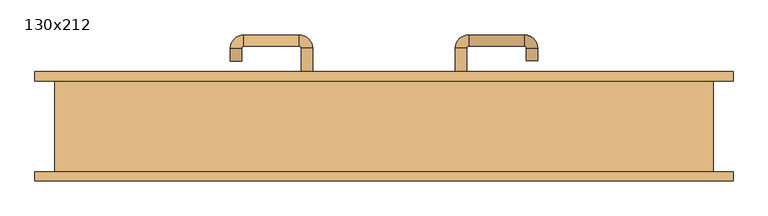
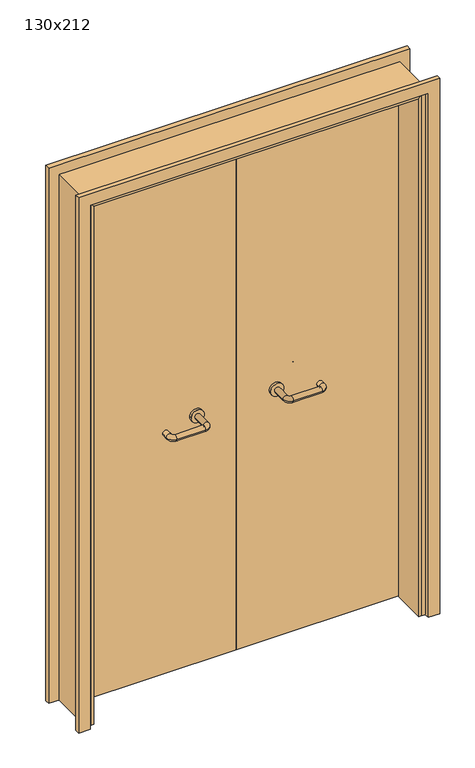
"""IFC4 building model written with IfcOpenShell, lengths in millimetres: door geometry, 130x212."""

from ifc_helpers import new_model, si_unit, point, frame, frame_2d, origin, place, context, project, spatial, polyline, circle_curve, ellipse_curve, trimmed, segment, composite_curve, outline, extrude, faceted_brep, source, transform, mapped, element, save
from ifc_brep_helpers import plane_surface, cylinder_surface, revolved_surface, advanced_brep


def door_130x212_d23c5a7e(model_context):
    return source(origin(), model_context, "Body", "SolidModel", [
        faceted_brep([(-620.0, 43.0, 0.0), (-620.0, -89.0, 0.0), (-630.0, -89.0, 0.0), (-630.0, 43.0, 0.0), (-620.0, 43.0, 2090.0), (-620.0, -89.0, 2090.0), (-630.0, -89.0, 2100.0), (-630.0, 43.0, 2100.0), (620.0, 43.0, 0.0), (630.0, 43.0, 0.0), (630.0, -89.0, 0.0), (620.0, -89.0, 0.0), (620.0, 43.0, 2090.0), (630.0, 43.0, 2100.0), (630.0, -89.0, 2100.0), (620.0, -89.0, 2090.0)], [[[0, 1, 2, 3]], [[1, 0, 4, 5]], [[2, 1, 5, 6]], [[3, 2, 6, 7]], [[0, 3, 7, 4]], [[8, 9, 10, 11]], [[12, 13, 9, 8]], [[13, 14, 10, 9]], [[14, 15, 11, 10]], [[15, 12, 8, 11]], [[5, 4, 12, 15]], [[6, 5, 15, 14]], [[7, 6, 14, 13]], [[4, 7, 13, 12]]]),
        extrude(outline(polyline([(2159.0, 689.0), (2159.0, -689.0), (0.0, -689.0), (0.0, -645.0), (2115.0, -645.0), (2115.0, 645.0), (0.0, 645.0), (0.0, 689.0), (2159.0, 689.0)])), frame((0.0, 90.0, 0.0), z_axis=(0.0, 1.0, 0.0), x_axis=(0.0, 0.0, 1.0)), (0.0, 0.0, 1.0), 18.0),
        extrude(outline(polyline([(2159.0, -689.0), (0.0, -689.0), (0.0, -645.0), (2115.0, -645.0), (2115.0, 645.0), (0.0, 645.0), (0.0, 689.0), (2159.0, 689.0), (2159.0, -689.0)])), frame((0.0, -108.0, 0.0), z_axis=(0.0, 1.0, 0.0), x_axis=(0.0, 0.0, 1.0)), (0.0, 0.0, 1.0), 18.0),
        extrude(outline(polyline([(2120.0, -650.0), (0.0, -650.0), (0.0, -630.0), (2100.0, -630.0), (2100.0, 630.0), (0.0, 630.0), (0.0, 650.0), (2120.0, 650.0), (2120.0, -650.0)])), frame((0.0, -89.0, 0.0), z_axis=(0.0, 1.0, 0.0), x_axis=(0.0, 0.0, 1.0)), (0.0, 0.0, 1.0), 179.0),
        advanced_brep(
        [(140.99898, 36.0, 1003.0), (162.99898, 36.0, 1003.0), (140.99898, -19.3525369, 1003.0), (162.99898, -19.3525369, 1003.0), (166.99898, -23.3525369, 1003.0), (166.99898, -45.3525369, 1003.0), (276.99898, -45.3525369, 1003.0), (276.99898, -23.3525369, 1003.0), (280.99898, -19.3525369, 1003.0), (302.99898, -19.3525369, 1003.0), (302.99898, -2.0, 1003.0), (280.99898, -2.0, 1003.0)],
        [
            (0, 1, circle_curve(frame((151.99898, 36.0, 1003.0), z_axis=(0.0, 1.0, 0.0), x_axis=(1.0, 0.0, 0.0)), 11.0)),
            (1, 0, circle_curve(frame((151.99898, 36.0, 1003.0), z_axis=(0.0, 1.0, 0.0), x_axis=(1.0, 0.0, 0.0)), 11.0)),
            (0, 2),
            (2, 3, circle_curve(frame((151.99898, -19.3525369, 1003.0), z_axis=(0.0, 1.0, 0.0), x_axis=(1.0, 0.0, 0.0)), 11.0)),
            (3, 1),
            (3, 2, circle_curve(frame((151.99898, -19.3525369, 1003.0), z_axis=(0.0, 1.0, 0.0), x_axis=(1.0, 0.0, 0.0)), 11.0)),
            (4, 3, circle_curve(frame((166.99898, -19.3525369, 1003.0), z_axis=(0.0, 0.0, -1.0), x_axis=(-1.0, 0.0, 0.0)), 4.0)),
            (2, 5, circle_curve(frame((166.99898, -19.3525369, 1003.0), z_axis=(0.0, 0.0, 1.0), x_axis=(-1.0, 0.0, 0.0)), 26.0)),
            (5, 4, circle_curve(frame((166.99898, -34.3525369, 1003.0), z_axis=(-1.0, 0.0, 0.0), x_axis=(0.0, 1.0, 0.0)), 11.0)),
            (4, 5, circle_curve(frame((166.99898, -34.3525369, 1003.0), z_axis=(-1.0, 0.0, 0.0), x_axis=(0.0, 1.0, 0.0)), 11.0)),
            (5, 6),
            (6, 7, circle_curve(frame((276.99898, -34.3525369, 1003.0), z_axis=(-1.0, 0.0, 0.0), x_axis=(0.0, 1.0, 0.0)), 11.0)),
            (7, 4),
            (7, 6, circle_curve(frame((276.99898, -34.3525369, 1003.0), z_axis=(-1.0, 0.0, 0.0), x_axis=(0.0, 1.0, 0.0)), 11.0)),
            (8, 7, circle_curve(frame((276.99898, -19.3525369, 1003.0), z_axis=(0.0, 0.0, -1.0), x_axis=(0.0, -1.0, 0.0)), 4.0)),
            (6, 9, circle_curve(frame((276.99898, -19.3525369, 1003.0), z_axis=(0.0, 0.0, 1.0), x_axis=(0.0, -1.0, 0.0)), 26.0)),
            (9, 8, circle_curve(frame((291.99898, -19.3525369, 1003.0), z_axis=(0.0, -1.0, 0.0), x_axis=(-1.0, 0.0, 0.0)), 11.0)),
            (8, 9, circle_curve(frame((291.99898, -19.3525369, 1003.0), z_axis=(0.0, -1.0, 0.0), x_axis=(-1.0, 0.0, 0.0)), 11.0)),
            (10, 11, circle_curve(frame((291.99898, -2.0, 1003.0), z_axis=(0.0, 1.0, 0.0), x_axis=(-1.0, 0.0, 0.0)), 11.0)),
            (11, 10, circle_curve(frame((291.99898, -2.0, 1003.0), z_axis=(0.0, 1.0, 0.0), x_axis=(-1.0, 0.0, 0.0)), 11.0)),
            (9, 10),
            (11, 8),
        ],
        [
            plane_surface(frame((140.99898, 36.0, 1003.0), z_axis=(0.0, 1.0, 0.0), x_axis=(0.0, 0.0, -1.0))),
            cylinder_surface(frame((151.99898, 36.0, 1003.0), z_axis=(0.0, 1.0, 0.0), x_axis=(1.0, 0.0, 0.0)), 11.0),
            revolved_surface(trimmed(ellipse_curve(frame((151.99898, -19.3525369, 1003.0), z_axis=(0.0, 1.0, 0.0), x_axis=(1.0, 0.0, 0.0)), 11.0, 11.0), [point((140.99898, -19.3525369, 1003.0))], [point((162.99898, -19.3525369, 1003.0))], True, "CARTESIAN"), (166.99898, -19.3525369, 1003.0), (0.0, 0.0, 1.0)),
            revolved_surface(trimmed(ellipse_curve(frame((151.99898, -19.3525369, 1003.0), z_axis=(0.0, 1.0, 0.0), x_axis=(1.0, 0.0, 0.0)), 11.0, 11.0), [point((162.99898, -19.3525369, 1003.0))], [point((140.99898, -19.3525369, 1003.0))], True, "CARTESIAN"), (166.99898, -19.3525369, 1003.0), (0.0, 0.0, 1.0)),
            cylinder_surface(frame((166.99898, -34.3525369, 1003.0), z_axis=(-1.0, 0.0, 0.0), x_axis=(0.0, 1.0, 0.0)), 11.0),
            revolved_surface(trimmed(ellipse_curve(frame((276.99898, -34.3525369, 1003.0), z_axis=(-1.0, 0.0, 0.0), x_axis=(0.0, 1.0, 0.0)), 11.0, 11.0), [point((276.99898, -45.3525369, 1003.0))], [point((276.99898, -23.3525369, 1003.0))], True, "CARTESIAN"), (276.99898, -19.3525369, 1003.0), (0.0, 0.0, 1.0)),
            revolved_surface(trimmed(ellipse_curve(frame((276.99898, -34.3525369, 1003.0), z_axis=(-1.0, 0.0, 0.0), x_axis=(0.0, 1.0, 0.0)), 11.0, 11.0), [point((276.99898, -23.3525369, 1003.0))], [point((276.99898, -45.3525369, 1003.0))], True, "CARTESIAN"), (276.99898, -19.3525369, 1003.0), (0.0, 0.0, 1.0)),
            plane_surface(frame((280.99898, -2.0, 1003.0), z_axis=(0.0, 1.0, 0.0), x_axis=(0.0, 0.0, 1.0))),
            cylinder_surface(frame((291.99898, -19.3525369, 1003.0), z_axis=(0.0, -1.0, 0.0), x_axis=(-1.0, 0.0, 0.0)), 11.0),
        ],
        [
            (0, [[1, 2]]),
            (1, [[-1, 3, 4, 5]]),
            (1, [[-2, -5, 6, -3]]),
            (2, [[7, -4, 8, 9]]),
            (3, [[-8, -6, -7, 10]]),
            (4, [[-9, 11, 12, 13]]),
            (4, [[-10, -13, 14, -11]]),
            (5, [[15, -12, 16, 17]]),
            (6, [[-16, -14, -15, 18]]),
            (7, [[19, 20]]),
            (8, [[-17, 21, -20, 22]]),
            (8, [[-18, -22, -19, -21]]),
        ],
    ),
        extrude(outline(composite_curve([segment(trimmed(circle_curve(frame_2d((1003.0, 151.99898)), 25.0), [point((1003.0, 126.99898))], [point((1003.0, 176.99898))], False, "CARTESIAN"), True, "CONTINUOUS"), segment(trimmed(circle_curve(frame_2d((1003.0, 151.99898)), 25.0), [point((1003.0, 176.99898))], [point((1003.0, 126.99898))], False, "CARTESIAN"), True, "CONTINUOUS")], self_intersect=False)), frame((0.0, 36.0, 0.0), z_axis=(0.0, 1.0, 0.0), x_axis=(0.0, 0.0, 1.0)), (0.0, 0.0, 1.0), 10.0),
        advanced_brep(
        [(162.99898, 100.0, 1003.0), (140.99898, 100.0, 1003.0), (162.99898, 155.0, 1003.0), (140.99898, 155.0, 1003.0), (166.99898, 181.0, 1003.0), (166.99898, 159.0, 1003.0), (276.99898, 159.0, 1003.0), (276.99898, 181.0, 1003.0), (302.99898, 155.0, 1003.0), (280.99898, 155.0, 1003.0), (280.99898, 130.0, 1003.0), (302.99898, 130.0, 1003.0)],
        [
            (0, 1, circle_curve(frame((151.99898, 100.0, 1003.0), z_axis=(0.0, -1.0, 0.0), x_axis=(-1.0, 0.0, 0.0)), 11.0)),
            (1, 0, circle_curve(frame((151.99898, 100.0, 1003.0), z_axis=(0.0, -1.0, 0.0), x_axis=(-1.0, 0.0, 0.0)), 11.0)),
            (0, 2),
            (2, 3, circle_curve(frame((151.99898, 155.0, 1003.0), z_axis=(0.0, -1.0, 0.0), x_axis=(-1.0, 0.0, 0.0)), 11.0)),
            (3, 1),
            (3, 2, circle_curve(frame((151.99898, 155.0, 1003.0), z_axis=(0.0, -1.0, 0.0), x_axis=(-1.0, 0.0, 0.0)), 11.0)),
            (4, 3, circle_curve(frame((166.99898, 155.0, 1003.0), z_axis=(0.0, 0.0, 1.0), x_axis=(-1.0, 0.0, 0.0)), 26.0)),
            (2, 5, circle_curve(frame((166.99898, 155.0, 1003.0), z_axis=(0.0, 0.0, -1.0), x_axis=(-1.0, 0.0, 0.0)), 4.0)),
            (5, 4, circle_curve(frame((166.99898, 170.0, 1003.0), z_axis=(-1.0, 0.0, 0.0), x_axis=(0.0, 1.0, 0.0)), 11.0)),
            (4, 5, circle_curve(frame((166.99898, 170.0, 1003.0), z_axis=(-1.0, 0.0, 0.0), x_axis=(0.0, 1.0, 0.0)), 11.0)),
            (5, 6),
            (6, 7, circle_curve(frame((276.99898, 170.0, 1003.0), z_axis=(-1.0, 0.0, 0.0), x_axis=(0.0, 1.0, 0.0)), 11.0)),
            (7, 4),
            (7, 6, circle_curve(frame((276.99898, 170.0, 1003.0), z_axis=(-1.0, 0.0, 0.0), x_axis=(0.0, 1.0, 0.0)), 11.0)),
            (8, 7, circle_curve(frame((276.99898, 155.0, 1003.0), z_axis=(0.0, 0.0, 1.0), x_axis=(0.0, 1.0, 0.0)), 26.0)),
            (6, 9, circle_curve(frame((276.99898, 155.0, 1003.0), z_axis=(0.0, 0.0, -1.0), x_axis=(0.0, 1.0, 0.0)), 4.0)),
            (9, 8, circle_curve(frame((291.99898, 155.0, 1003.0), z_axis=(0.0, 1.0, 0.0), x_axis=(1.0, 0.0, 0.0)), 11.0)),
            (8, 9, circle_curve(frame((291.99898, 155.0, 1003.0), z_axis=(0.0, 1.0, 0.0), x_axis=(1.0, 0.0, 0.0)), 11.0)),
            (10, 11, circle_curve(frame((291.99898, 130.0, 1003.0), z_axis=(0.0, -1.0, 0.0), x_axis=(1.0, 0.0, 0.0)), 11.0)),
            (11, 10, circle_curve(frame((291.99898, 130.0, 1003.0), z_axis=(0.0, -1.0, 0.0), x_axis=(1.0, 0.0, 0.0)), 11.0)),
            (9, 10),
            (11, 8),
        ],
        [
            plane_surface(frame((140.99898, 100.0, 1003.0), z_axis=(0.0, -1.0, 0.0), x_axis=(0.0, 0.0, 1.0))),
            cylinder_surface(frame((151.99898, 100.0, 1003.0), z_axis=(0.0, -1.0, 0.0), x_axis=(-1.0, 0.0, 0.0)), 11.0),
            revolved_surface(trimmed(ellipse_curve(frame((151.99898, 155.0, 1003.0), z_axis=(0.0, -1.0, 0.0), x_axis=(-1.0, 0.0, 0.0)), 11.0, 11.0), [point((162.99898, 155.0, 1003.0))], [point((140.99898, 155.0, 1003.0))], True, "CARTESIAN"), (166.99898, 155.0, 1003.0), (0.0, 0.0, -1.0)),
            revolved_surface(trimmed(ellipse_curve(frame((151.99898, 155.0, 1003.0), z_axis=(0.0, -1.0, 0.0), x_axis=(-1.0, 0.0, 0.0)), 11.0, 11.0), [point((140.99898, 155.0, 1003.0))], [point((162.99898, 155.0, 1003.0))], True, "CARTESIAN"), (166.99898, 155.0, 1003.0), (0.0, 0.0, -1.0)),
            cylinder_surface(frame((166.99898, 170.0, 1003.0), z_axis=(-1.0, 0.0, 0.0), x_axis=(0.0, 1.0, 0.0)), 11.0),
            revolved_surface(trimmed(ellipse_curve(frame((276.99898, 170.0, 1003.0), z_axis=(-1.0, 0.0, 0.0), x_axis=(0.0, 1.0, 0.0)), 11.0, 11.0), [point((276.99898, 159.0, 1003.0))], [point((276.99898, 181.0, 1003.0))], True, "CARTESIAN"), (276.99898, 155.0, 1003.0), (0.0, 0.0, -1.0)),
            revolved_surface(trimmed(ellipse_curve(frame((276.99898, 170.0, 1003.0), z_axis=(-1.0, 0.0, 0.0), x_axis=(0.0, 1.0, 0.0)), 11.0, 11.0), [point((276.99898, 181.0, 1003.0))], [point((276.99898, 159.0, 1003.0))], True, "CARTESIAN"), (276.99898, 155.0, 1003.0), (0.0, 0.0, -1.0)),
            plane_surface(frame((280.99898, 130.0, 1003.0), z_axis=(0.0, -1.0, 0.0), x_axis=(0.0, 0.0, -1.0))),
            cylinder_surface(frame((291.99898, 155.0, 1003.0), z_axis=(0.0, 1.0, 0.0), x_axis=(1.0, 0.0, 0.0)), 11.0),
        ],
        [
            (0, [[1, 2]]),
            (1, [[-1, 3, 4, 5]]),
            (1, [[-2, -5, 6, -3]]),
            (2, [[7, -4, 8, 9]]),
            (3, [[-8, -6, -7, 10]]),
            (4, [[-9, 11, 12, 13]]),
            (4, [[-10, -13, 14, -11]]),
            (5, [[15, -12, 16, 17]]),
            (6, [[-16, -14, -15, 18]]),
            (7, [[19, 20]]),
            (8, [[-17, 21, -20, 22]]),
            (8, [[-18, -22, -19, -21]]),
        ],
    ),
        extrude(outline(composite_curve([segment(trimmed(circle_curve(frame_2d((1003.0, 151.99898)), 25.0), [point((1003.0, 176.99898))], [point((1003.0, 126.99898))], False, "CARTESIAN"), True, "CONTINUOUS"), segment(trimmed(circle_curve(frame_2d((1003.0, 151.99898)), 25.0), [point((1003.0, 126.99898))], [point((1003.0, 176.99898))], False, "CARTESIAN"), True, "CONTINUOUS")], self_intersect=False)), frame((0.0, 90.0, 0.0), z_axis=(0.0, 1.0, 0.0), x_axis=(0.0, 0.0, 1.0)), (0.0, 0.0, 1.0), 10.0),
        advanced_brep(
        [(-162.99898, 35.6886121, 1003.0), (-140.99898, 35.6886121, 1003.0), (-162.99898, -19.7220447, 1003.0), (-140.99898, -19.7220447, 1003.0), (-166.99898, -45.7220447, 1003.0), (-166.99898, -23.7220447, 1003.0), (-276.99898, -23.7220447, 1003.0), (-276.99898, -45.7220447, 1003.0), (-302.99898, -19.7220447, 1003.0), (-280.99898, -19.7220447, 1003.0), (-280.99898, 5.2779553, 1003.0), (-302.99898, 5.2779553, 1003.0)],
        [
            (0, 1, circle_curve(frame((-151.99898, 35.6886121, 1003.0), z_axis=(0.0, 1.0, 0.0), x_axis=(1.0, 0.0, 0.0)), 11.0)),
            (1, 0, circle_curve(frame((-151.99898, 35.6886121, 1003.0), z_axis=(0.0, 1.0, 0.0), x_axis=(1.0, 0.0, 0.0)), 11.0)),
            (0, 2),
            (2, 3, circle_curve(frame((-151.99898, -19.7220447, 1003.0), z_axis=(0.0, 1.0, 0.0), x_axis=(1.0, 0.0, 0.0)), 11.0)),
            (3, 1),
            (3, 2, circle_curve(frame((-151.99898, -19.7220447, 1003.0), z_axis=(0.0, 1.0, 0.0), x_axis=(1.0, 0.0, 0.0)), 11.0)),
            (4, 3, circle_curve(frame((-166.99898, -19.7220447, 1003.0), z_axis=(0.0, 0.0, 1.0), x_axis=(1.0, 0.0, 0.0)), 26.0)),
            (2, 5, circle_curve(frame((-166.99898, -19.7220447, 1003.0), z_axis=(0.0, 0.0, -1.0), x_axis=(1.0, 0.0, 0.0)), 4.0)),
            (5, 4, circle_curve(frame((-166.99898, -34.7220447, 1003.0), z_axis=(1.0, 0.0, 0.0), x_axis=(0.0, -1.0, 0.0)), 11.0)),
            (4, 5, circle_curve(frame((-166.99898, -34.7220447, 1003.0), z_axis=(1.0, 0.0, 0.0), x_axis=(0.0, -1.0, 0.0)), 11.0)),
            (5, 6),
            (6, 7, circle_curve(frame((-276.99898, -34.7220447, 1003.0), z_axis=(1.0, 0.0, 0.0), x_axis=(0.0, -1.0, 0.0)), 11.0)),
            (7, 4),
            (7, 6, circle_curve(frame((-276.99898, -34.7220447, 1003.0), z_axis=(1.0, 0.0, 0.0), x_axis=(0.0, -1.0, 0.0)), 11.0)),
            (8, 7, circle_curve(frame((-276.99898, -19.7220447, 1003.0), z_axis=(0.0, 0.0, 1.0), x_axis=(0.0, -1.0, 0.0)), 26.0)),
            (6, 9, circle_curve(frame((-276.99898, -19.7220447, 1003.0), z_axis=(0.0, 0.0, -1.0), x_axis=(0.0, -1.0, 0.0)), 4.0)),
            (9, 8, circle_curve(frame((-291.99898, -19.7220447, 1003.0), z_axis=(0.0, -1.0, 0.0), x_axis=(-1.0, 0.0, 0.0)), 11.0)),
            (8, 9, circle_curve(frame((-291.99898, -19.7220447, 1003.0), z_axis=(0.0, -1.0, 0.0), x_axis=(-1.0, 0.0, 0.0)), 11.0)),
            (10, 11, circle_curve(frame((-291.99898, 5.2779553, 1003.0), z_axis=(0.0, 1.0, 0.0), x_axis=(-1.0, 0.0, 0.0)), 11.0)),
            (11, 10, circle_curve(frame((-291.99898, 5.2779553, 1003.0), z_axis=(0.0, 1.0, 0.0), x_axis=(-1.0, 0.0, 0.0)), 11.0)),
            (9, 10),
            (11, 8),
        ],
        [
            plane_surface(frame((-162.99898, 35.6886121, 1003.0), z_axis=(0.0, 1.0, 0.0), x_axis=(0.0, 0.0, -1.0))),
            cylinder_surface(frame((-151.99898, 35.6886121, 1003.0), z_axis=(0.0, 1.0, 0.0), x_axis=(1.0, 0.0, 0.0)), 11.0),
            revolved_surface(trimmed(ellipse_curve(frame((-151.99898, -19.7220447, 1003.0), z_axis=(0.0, 1.0, 0.0), x_axis=(1.0, 0.0, 0.0)), 11.0, 11.0), [point((-162.99898, -19.7220447, 1003.0))], [point((-140.99898, -19.7220447, 1003.0))], True, "CARTESIAN"), (-166.99898, -19.7220447, 1003.0), (0.0, 0.0, -1.0)),
            revolved_surface(trimmed(ellipse_curve(frame((-151.99898, -19.7220447, 1003.0), z_axis=(0.0, 1.0, 0.0), x_axis=(1.0, 0.0, 0.0)), 11.0, 11.0), [point((-140.99898, -19.7220447, 1003.0))], [point((-162.99898, -19.7220447, 1003.0))], True, "CARTESIAN"), (-166.99898, -19.7220447, 1003.0), (0.0, 0.0, -1.0)),
            cylinder_surface(frame((-166.99898, -34.7220447, 1003.0), z_axis=(1.0, 0.0, 0.0), x_axis=(0.0, -1.0, 0.0)), 11.0),
            revolved_surface(trimmed(ellipse_curve(frame((-276.99898, -34.7220447, 1003.0), z_axis=(1.0, 0.0, 0.0), x_axis=(0.0, -1.0, 0.0)), 11.0, 11.0), [point((-276.99898, -23.7220447, 1003.0))], [point((-276.99898, -45.7220447, 1003.0))], True, "CARTESIAN"), (-276.99898, -19.7220447, 1003.0), (0.0, 0.0, -1.0)),
            revolved_surface(trimmed(ellipse_curve(frame((-276.99898, -34.7220447, 1003.0), z_axis=(1.0, 0.0, 0.0), x_axis=(0.0, -1.0, 0.0)), 11.0, 11.0), [point((-276.99898, -45.7220447, 1003.0))], [point((-276.99898, -23.7220447, 1003.0))], True, "CARTESIAN"), (-276.99898, -19.7220447, 1003.0), (0.0, 0.0, -1.0)),
            plane_surface(frame((-302.99898, 5.2779553, 1003.0), z_axis=(0.0, 1.0, 0.0), x_axis=(0.0, 0.0, 1.0))),
            cylinder_surface(frame((-291.99898, -19.7220447, 1003.0), z_axis=(0.0, -1.0, 0.0), x_axis=(-1.0, 0.0, 0.0)), 11.0),
        ],
        [
            (0, [[1, 2]]),
            (1, [[-1, 3, 4, 5]]),
            (1, [[-2, -5, 6, -3]]),
            (2, [[7, -4, 8, 9]]),
            (3, [[-8, -6, -7, 10]]),
            (4, [[-9, 11, 12, 13]]),
            (4, [[-10, -13, 14, -11]]),
            (5, [[15, -12, 16, 17]]),
            (6, [[-16, -14, -15, 18]]),
            (7, [[19, 20]]),
            (8, [[-17, 21, -20, 22]]),
            (8, [[-18, -22, -19, -21]]),
        ],
    ),
        extrude(outline(composite_curve([segment(trimmed(circle_curve(frame_2d((1003.0, -151.99898)), 25.0), [point((1003.0, -176.99898))], [point((1003.0, -126.99898))], False, "CARTESIAN"), True, "CONTINUOUS"), segment(trimmed(circle_curve(frame_2d((1003.0, -151.99898)), 25.0), [point((1003.0, -126.99898))], [point((1003.0, -176.99898))], False, "CARTESIAN"), True, "CONTINUOUS")], self_intersect=False)), frame((0.0, 35.6886121, 0.0), z_axis=(0.0, 1.0, 0.0), x_axis=(0.0, 0.0, 1.0)), (0.0, 0.0, 1.0), 10.3113879),
        advanced_brep(
        [(-140.99898, 99.5143417, 1003.0), (-162.99898, 99.5143417, 1003.0), (-140.99898, 154.6104656, 1003.0), (-162.99898, 154.6104656, 1003.0), (-166.99898, 158.6104656, 1003.0), (-166.99898, 180.6104656, 1003.0), (-276.99898, 180.6104656, 1003.0), (-276.99898, 158.6104656, 1003.0), (-280.99898, 154.6104656, 1003.0), (-302.99898, 154.6104656, 1003.0), (-302.99898, 129.6104656, 1003.0), (-280.99898, 129.6104656, 1003.0)],
        [
            (0, 1, circle_curve(frame((-151.99898, 99.5143417, 1003.0), z_axis=(0.0, -1.0, 0.0), x_axis=(-1.0, 0.0, 0.0)), 11.0)),
            (1, 0, circle_curve(frame((-151.99898, 99.5143417, 1003.0), z_axis=(0.0, -1.0, 0.0), x_axis=(-1.0, 0.0, 0.0)), 11.0)),
            (0, 2),
            (2, 3, circle_curve(frame((-151.99898, 154.6104656, 1003.0), z_axis=(0.0, -1.0, 0.0), x_axis=(-1.0, 0.0, 0.0)), 11.0)),
            (3, 1),
            (3, 2, circle_curve(frame((-151.99898, 154.6104656, 1003.0), z_axis=(0.0, -1.0, 0.0), x_axis=(-1.0, 0.0, 0.0)), 11.0)),
            (4, 3, circle_curve(frame((-166.99898, 154.6104656, 1003.0), z_axis=(0.0, 0.0, -1.0), x_axis=(1.0, 0.0, 0.0)), 4.0)),
            (2, 5, circle_curve(frame((-166.99898, 154.6104656, 1003.0), z_axis=(0.0, 0.0, 1.0), x_axis=(1.0, 0.0, 0.0)), 26.0)),
            (5, 4, circle_curve(frame((-166.99898, 169.6104656, 1003.0), z_axis=(1.0, 0.0, 0.0), x_axis=(0.0, -1.0, 0.0)), 11.0)),
            (4, 5, circle_curve(frame((-166.99898, 169.6104656, 1003.0), z_axis=(1.0, 0.0, 0.0), x_axis=(0.0, -1.0, 0.0)), 11.0)),
            (5, 6),
            (6, 7, circle_curve(frame((-276.99898, 169.6104656, 1003.0), z_axis=(1.0, 0.0, 0.0), x_axis=(0.0, -1.0, 0.0)), 11.0)),
            (7, 4),
            (7, 6, circle_curve(frame((-276.99898, 169.6104656, 1003.0), z_axis=(1.0, 0.0, 0.0), x_axis=(0.0, -1.0, 0.0)), 11.0)),
            (8, 7, circle_curve(frame((-276.99898, 154.6104656, 1003.0), z_axis=(0.0, 0.0, -1.0), x_axis=(0.0, 1.0, 0.0)), 4.0)),
            (6, 9, circle_curve(frame((-276.99898, 154.6104656, 1003.0), z_axis=(0.0, 0.0, 1.0), x_axis=(0.0, 1.0, 0.0)), 26.0)),
            (9, 8, circle_curve(frame((-291.99898, 154.6104656, 1003.0), z_axis=(0.0, 1.0, 0.0), x_axis=(1.0, 0.0, 0.0)), 11.0)),
            (8, 9, circle_curve(frame((-291.99898, 154.6104656, 1003.0), z_axis=(0.0, 1.0, 0.0), x_axis=(1.0, 0.0, 0.0)), 11.0)),
            (10, 11, circle_curve(frame((-291.99898, 129.6104656, 1003.0), z_axis=(0.0, -1.0, 0.0), x_axis=(1.0, 0.0, 0.0)), 11.0)),
            (11, 10, circle_curve(frame((-291.99898, 129.6104656, 1003.0), z_axis=(0.0, -1.0, 0.0), x_axis=(1.0, 0.0, 0.0)), 11.0)),
            (9, 10),
            (11, 8),
        ],
        [
            plane_surface(frame((-162.99898, 99.5143417, 1003.0), z_axis=(0.0, -1.0, 0.0), x_axis=(0.0, 0.0, 1.0))),
            cylinder_surface(frame((-151.99898, 99.5143417, 1003.0), z_axis=(0.0, -1.0, 0.0), x_axis=(-1.0, 0.0, 0.0)), 11.0),
            revolved_surface(trimmed(ellipse_curve(frame((-151.99898, 154.6104656, 1003.0), z_axis=(0.0, -1.0, 0.0), x_axis=(-1.0, 0.0, 0.0)), 11.0, 11.0), [point((-140.99898, 154.6104656, 1003.0))], [point((-162.99898, 154.6104656, 1003.0))], True, "CARTESIAN"), (-166.99898, 154.6104656, 1003.0), (0.0, 0.0, 1.0)),
            revolved_surface(trimmed(ellipse_curve(frame((-151.99898, 154.6104656, 1003.0), z_axis=(0.0, -1.0, 0.0), x_axis=(-1.0, 0.0, 0.0)), 11.0, 11.0), [point((-162.99898, 154.6104656, 1003.0))], [point((-140.99898, 154.6104656, 1003.0))], True, "CARTESIAN"), (-166.99898, 154.6104656, 1003.0), (0.0, 0.0, 1.0)),
            cylinder_surface(frame((-166.99898, 169.6104656, 1003.0), z_axis=(1.0, 0.0, 0.0), x_axis=(0.0, -1.0, 0.0)), 11.0),
            revolved_surface(trimmed(ellipse_curve(frame((-276.99898, 169.6104656, 1003.0), z_axis=(1.0, 0.0, 0.0), x_axis=(0.0, -1.0, 0.0)), 11.0, 11.0), [point((-276.99898, 180.6104656, 1003.0))], [point((-276.99898, 158.6104656, 1003.0))], True, "CARTESIAN"), (-276.99898, 154.6104656, 1003.0), (0.0, 0.0, 1.0)),
            revolved_surface(trimmed(ellipse_curve(frame((-276.99898, 169.6104656, 1003.0), z_axis=(1.0, 0.0, 0.0), x_axis=(0.0, -1.0, 0.0)), 11.0, 11.0), [point((-276.99898, 158.6104656, 1003.0))], [point((-276.99898, 180.6104656, 1003.0))], True, "CARTESIAN"), (-276.99898, 154.6104656, 1003.0), (0.0, 0.0, 1.0)),
            plane_surface(frame((-302.99898, 129.6104656, 1003.0), z_axis=(0.0, -1.0, 0.0), x_axis=(0.0, 0.0, -1.0))),
            cylinder_surface(frame((-291.99898, 154.6104656, 1003.0), z_axis=(0.0, 1.0, 0.0), x_axis=(1.0, 0.0, 0.0)), 11.0),
        ],
        [
            (0, [[1, 2]]),
            (1, [[-1, 3, 4, 5]]),
            (1, [[-2, -5, 6, -3]]),
            (2, [[7, -4, 8, 9]]),
            (3, [[-8, -6, -7, 10]]),
            (4, [[-9, 11, 12, 13]]),
            (4, [[-10, -13, 14, -11]]),
            (5, [[15, -12, 16, 17]]),
            (6, [[-16, -14, -15, 18]]),
            (7, [[19, 20]]),
            (8, [[-17, 21, -20, 22]]),
            (8, [[-18, -22, -19, -21]]),
        ],
    ),
        extrude(outline(composite_curve([segment(trimmed(circle_curve(frame_2d((1003.0, -151.99898)), 25.0), [point((1003.0, -126.99898))], [point((1003.0, -176.99898))], False, "CARTESIAN"), True, "CONTINUOUS"), segment(trimmed(circle_curve(frame_2d((1003.0, -151.99898)), 25.0), [point((1003.0, -176.99898))], [point((1003.0, -126.99898))], False, "CARTESIAN"), True, "CONTINUOUS")], self_intersect=False)), frame((0.0, 90.0, 0.0), z_axis=(0.0, 1.0, 0.0), x_axis=(0.0, 0.0, 1.0)), (0.0, 0.0, 1.0), 9.5143417),
        extrude(outline(polyline([(1.0739506, 46.0), (-627.0, 46.0), (-627.0, 90.0), (1.0739506, 90.0), (1.0739506, 46.0)])), frame((0.0, 0.0, 1.753223), z_axis=(0.0, 0.0, 1.0), x_axis=(1.0, 0.0, 0.0)), (0.0, 0.0, 1.0), 2098.246777),
        extrude(outline(polyline([(627.0, 46.0), (1.0739506, 46.0), (1.0739506, 90.0), (627.0, 90.0), (627.0, 46.0)])), frame((0.0, 0.0, 1.753223), z_axis=(0.0, 0.0, 1.0), x_axis=(1.0, 0.0, 0.0)), (0.0, 0.0, 1.0), 2098.246777),
    ])


if __name__ == "__main__":
    model = new_model("IFC4")
    model_context = context("Model", 3, world=origin())
    ifc_project = project(units=[si_unit("LENGTHUNIT", "METRE", prefix="MILLI")], contexts=[model_context])
    site = spatial("IfcSite", under=ifc_project)
    building = spatial("IfcBuilding", under=site)
    placement = place(None, origin())
    door_130x212_shape = door_130x212_d23c5a7e(model_context)
    element("IfcDoor", 1, ObjectType="130x212", at=placement, inside=building, context=model_context, shape_type="MappedRepresentation", body=[
        mapped(door_130x212_shape, transform((0.0, 0.0, 0.0), x_axis=(1.0, 0.0, 0.0), y_axis=(0.0, 1.0, 0.0), z_axis=(0.0, 0.0, 1.0))),
    ])
    save(model, "model.ifc")
